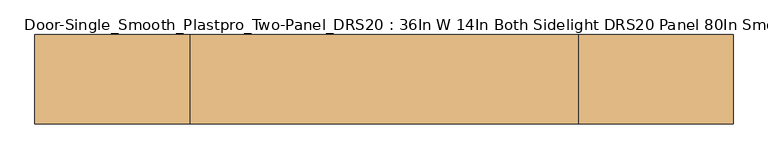
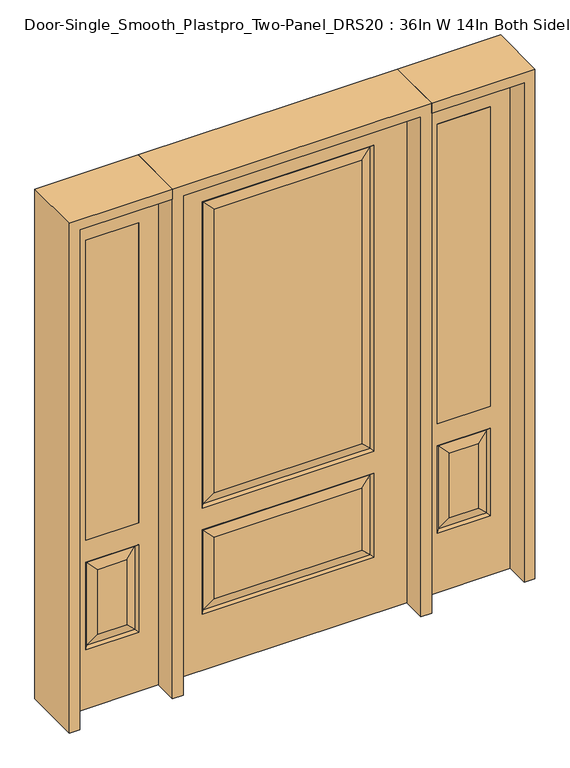
"""IFC4 building model written with IfcOpenShell, lengths in millimetres: door geometry, Door-Single_Smooth_Plastpro_Two-Panel_DRS20 : 36In W 14In Both Sidelight DRS20 Panel 80In Smooth."""

from ifc_helpers import new_model, si_unit, frame, origin, place, context, project, spatial, polyline, outline, extrude, faceted_brep, source, transform, mapped, element, save


def door_single_smooth_plastpro_two_panel_drs20_36in_w_14in_both_53c5808b(model_context):
    return source(origin(), model_context, "Body", "SolidModel", [
        extrude(outline(polyline([(574.675, -20.6375), (574.675, 20.6375), (777.875, 20.6375), (777.875, -20.6375), (574.675, -20.6375)])), frame((0.0, 0.0, 685.8), z_axis=(0.0, 0.0, 1.0), x_axis=(1.0, 0.0, 0.0)), (0.0, 0.0, 1.0), 1219.2),
        faceted_brep([(854.075, -20.6375, 0.0), (854.075, -20.6375, 2032.0), (498.475, -20.6375, 2032.0), (498.475, -20.6375, 0.0), (574.675, -20.6375, 685.8), (574.675, -20.6375, 1905.0), (777.875, -20.6375, 1905.0), (777.875, -20.6375, 685.8), (574.675, -20.6375, 241.3), (574.675, -20.6375, 596.9), (777.875, -20.6375, 596.9), (777.875, -20.6375, 241.3), (731.8375, -20.6375, 287.3375), (731.8375, -20.6375, 550.8625), (620.7125, -20.6375, 550.8625), (620.7125, -20.6375, 287.3375), (498.475, 20.6375, 0.0), (854.075, 20.6375, 0.0), (498.475, 20.6375, 2032.0), (854.075, 20.6375, 2032.0), (583.6552561, -11.6572439, 250.2802561), (768.8947439, -11.6572439, 250.2802561), (768.8947439, -11.6572439, 587.9197439), (583.6552561, -11.6572439, 587.9197439), (777.875, 20.6375, 685.8), (574.675, 20.6375, 685.8), (777.875, 20.6375, 1905.0), (574.675, 20.6375, 1905.0), (777.875, 20.6375, 241.3), (777.875, 20.6375, 596.9), (574.675, 20.6375, 596.9), (574.675, 20.6375, 241.3), (620.7125, 20.6375, 287.3375), (620.7125, 20.6375, 550.8625), (731.8375, 20.6375, 550.8625), (731.8375, 20.6375, 287.3375), (583.6552561, 11.6572439, 250.2802561), (768.8947439, 11.6572439, 250.2802561), (583.6552561, 11.6572439, 587.9197439), (768.8947439, 11.6572439, 587.9197439)], [[[0, 1, 2, 3], [4, 5, 6, 7], [8, 9, 10, 11]], [[12, 13, 14, 15]], [[3, 16, 17, 0]], [[2, 18, 16, 3]], [[0, 17, 19, 1]], [[20, 8, 11, 21]], [[11, 10, 22, 21]], [[10, 9, 23, 22]], [[20, 23, 9, 8]], [[21, 12, 15, 20]], [[15, 14, 23, 20]], [[22, 23, 14, 13]], [[21, 22, 13, 12]], [[4, 7, 24, 25]], [[7, 6, 26, 24]], [[25, 27, 5, 4]], [[17, 16, 18, 19], [24, 26, 27, 25], [28, 29, 30, 31]], [[32, 33, 34, 35]], [[28, 31, 36, 37]], [[31, 30, 38, 36]], [[39, 38, 30, 29]], [[37, 39, 29, 28]], [[36, 32, 35, 37]], [[35, 34, 39, 37]], [[34, 33, 38, 39]], [[36, 38, 33, 32]], [[1, 19, 18, 2]], [[27, 26, 6, 5]]]),
        extrude(outline(polyline([(-574.675, -20.6375), (-777.875, -20.6375), (-777.875, 20.6375), (-574.675, 20.6375), (-574.675, -20.6375)])), frame((0.0, 0.0, 685.8), z_axis=(0.0, 0.0, 1.0), x_axis=(1.0, 0.0, 0.0)), (0.0, 0.0, 1.0), 1219.2),
        faceted_brep([(-854.075, -20.6375, 0.0), (-498.475, -20.6375, 0.0), (-498.475, -20.6375, 2032.0), (-854.075, -20.6375, 2032.0), (-574.675, -20.6375, 685.8), (-777.875, -20.6375, 685.8), (-777.875, -20.6375, 1905.0), (-574.675, -20.6375, 1905.0), (-574.675, -20.6375, 241.3), (-777.875, -20.6375, 241.3), (-777.875, -20.6375, 596.9), (-574.675, -20.6375, 596.9), (-731.8375, -20.6375, 287.3375), (-620.7125, -20.6375, 287.3375), (-620.7125, -20.6375, 550.8625), (-731.8375, -20.6375, 550.8625), (-854.075, 20.6375, 0.0), (-498.475, 20.6375, 0.0), (-498.475, 20.6375, 2032.0), (-854.075, 20.6375, 2032.0), (-583.6552561, -11.6572439, 250.2802561), (-768.8947439, -11.6572439, 250.2802561), (-768.8947439, -11.6572439, 587.9197439), (-583.6552561, -11.6572439, 587.9197439), (-574.675, 20.6375, 685.8), (-777.875, 20.6375, 685.8), (-777.875, 20.6375, 1905.0), (-574.675, 20.6375, 1905.0), (-777.875, 20.6375, 241.3), (-574.675, 20.6375, 241.3), (-574.675, 20.6375, 596.9), (-777.875, 20.6375, 596.9), (-620.7125, 20.6375, 287.3375), (-731.8375, 20.6375, 287.3375), (-731.8375, 20.6375, 550.8625), (-620.7125, 20.6375, 550.8625), (-768.8947439, 11.6572439, 250.2802561), (-583.6552561, 11.6572439, 250.2802561), (-583.6552561, 11.6572439, 587.9197439), (-768.8947439, 11.6572439, 587.9197439)], [[[0, 1, 2, 3], [4, 5, 6, 7], [8, 9, 10, 11]], [[12, 13, 14, 15]], [[1, 0, 16, 17]], [[2, 1, 17, 18]], [[0, 3, 19, 16]], [[20, 21, 9, 8]], [[9, 21, 22, 10]], [[10, 22, 23, 11]], [[20, 8, 11, 23]], [[21, 20, 13, 12]], [[13, 20, 23, 14]], [[22, 15, 14, 23]], [[21, 12, 15, 22]], [[4, 24, 25, 5]], [[5, 25, 26, 6]], [[24, 4, 7, 27]], [[16, 19, 18, 17], [25, 24, 27, 26], [28, 29, 30, 31]], [[32, 33, 34, 35]], [[28, 36, 37, 29]], [[29, 37, 38, 30]], [[39, 31, 30, 38]], [[36, 28, 31, 39]], [[37, 36, 33, 32]], [[33, 36, 39, 34]], [[34, 39, 38, 35]], [[37, 32, 35, 38]], [[3, 2, 18, 19]], [[27, 7, 6, 26]]]),
        faceted_brep([(457.2, 20.6375, 0.0), (457.2, -20.6375, 0.0), (-457.2, -20.6375, 0.0), (-457.2, 20.6375, 0.0), (457.2, 20.6375, 2032.0), (457.2, -20.6375, 2032.0), (-284.1625, -20.6375, 706.4375), (284.1625, -20.6375, 706.4375), (284.1625, -20.6375, 1858.9625), (-284.1625, -20.6375, 1858.9625), (-284.1625, -20.6375, 274.6375), (284.1625, -20.6375, 274.6375), (284.1625, -20.6375, 525.4625), (-284.1625, -20.6375, 525.4625), (-457.2, -20.6375, 2032.0), (330.2, -20.6375, 660.4), (-330.2, -20.6375, 660.4), (-330.2, -20.6375, 1905.0), (330.2, -20.6375, 1905.0), (330.2, -20.6375, 228.6), (-330.2, -20.6375, 228.6), (-330.2, -20.6375, 571.5), (330.2, -20.6375, 571.5), (-457.2, 20.6375, 2032.0), (-284.1625, 20.6375, 525.4625), (284.1625, 20.6375, 525.4625), (284.1625, 20.6375, 274.6375), (-284.1625, 20.6375, 274.6375), (-284.1625, 20.6375, 1858.9625), (284.1625, 20.6375, 1858.9625), (284.1625, 20.6375, 706.4375), (-284.1625, 20.6375, 706.4375), (330.2, 20.6375, 571.5), (-330.2, 20.6375, 571.5), (-330.2, 20.6375, 228.6), (330.2, 20.6375, 228.6), (330.2, 20.6375, 1905.0), (-330.2, 20.6375, 1905.0), (-330.2, 20.6375, 660.4), (330.2, 20.6375, 660.4), (-321.2197439, 11.6572439, 1896.0197439), (-321.2197439, 11.6572439, 669.3802561), (321.2197439, 11.6572439, 669.3802561), (321.2197439, 11.6572439, 1896.0197439), (321.2197439, 11.6572439, 562.5197439), (-321.2197439, 11.6572439, 562.5197439), (-321.2197439, 11.6572439, 237.5802561), (321.2197439, 11.6572439, 237.5802561), (321.2197439, -11.6572439, 669.3802561), (-321.2197439, -11.6572439, 669.3802561), (-321.2197439, -11.6572439, 1896.0197439), (321.2197439, -11.6572439, 1896.0197439), (321.2197439, -11.6572439, 237.5802561), (-321.2197439, -11.6572439, 237.5802561), (-321.2197439, -11.6572439, 562.5197439), (321.2197439, -11.6572439, 562.5197439)], [[[0, 1, 2, 3]], [[4, 5, 1, 0]], [[6, 7, 8, 9]], [[10, 11, 12, 13]], [[5, 14, 2, 1], [15, 16, 17, 18], [19, 20, 21, 22]], [[14, 23, 3, 2]], [[24, 25, 26, 27]], [[28, 29, 30, 31]], [[23, 4, 0, 3], [32, 33, 34, 35], [36, 37, 38, 39]], [[37, 40, 41, 38]], [[38, 41, 42, 39]], [[43, 36, 39, 42]], [[29, 43, 42, 30]], [[41, 31, 30, 42]], [[40, 28, 31, 41]], [[44, 45, 33, 32]], [[33, 45, 46, 34]], [[34, 46, 47, 35]], [[44, 32, 35, 47]], [[45, 44, 25, 24]], [[25, 44, 47, 26]], [[46, 27, 26, 47]], [[45, 24, 27, 46]], [[48, 49, 16, 15]], [[16, 49, 50, 17]], [[48, 15, 18, 51]], [[49, 48, 7, 6]], [[7, 48, 51, 8]], [[49, 6, 9, 50]], [[52, 53, 20, 19]], [[20, 53, 54, 21]], [[21, 54, 55, 22]], [[52, 19, 22, 55]], [[53, 52, 11, 10]], [[11, 52, 55, 12]], [[54, 13, 12, 55]], [[53, 10, 13, 54]], [[4, 23, 14, 5]], [[17, 50, 51, 18]], [[50, 9, 8, 51]], [[43, 40, 37, 36]], [[40, 43, 29, 28]]]),
        extrude(outline(polyline([(2032.0, -498.475), (2073.275, -498.475), (2073.275, -895.35), (0.0, -895.35), (0.0, -854.075), (2032.0, -854.075), (2032.0, -498.475)])), frame((0.0, -114.3, 0.0), z_axis=(0.0, 1.0, 0.0), x_axis=(0.0, 0.0, 1.0)), (0.0, 0.0, 1.0), 228.6),
        extrude(outline(polyline([(2073.275, -498.475), (0.0, -498.475), (0.0, -457.2), (2032.0, -457.2), (2032.0, 457.2), (0.0, 457.2), (0.0, 498.475), (2073.275, 498.475), (2073.275, -498.475)])), frame((0.0, -114.3, 0.0), z_axis=(0.0, 1.0, 0.0), x_axis=(0.0, 0.0, 1.0)), (0.0, 0.0, 1.0), 228.6),
        extrude(outline(polyline([(0.0, 854.075), (0.0, 895.35), (2073.275, 895.35), (2073.275, 498.475), (2032.0, 498.475), (2032.0, 854.075), (0.0, 854.075)])), frame((0.0, -114.3, 0.0), z_axis=(0.0, 1.0, 0.0), x_axis=(0.0, 0.0, 1.0)), (0.0, 0.0, 1.0), 228.6),
    ])


if __name__ == "__main__":
    model = new_model("IFC4")
    model_context = context("Model", 3, world=origin())
    ifc_project = project(units=[si_unit("LENGTHUNIT", "METRE", prefix="MILLI")], contexts=[model_context])
    site = spatial("IfcSite", under=ifc_project)
    building = spatial("IfcBuilding", under=site)
    placement = place(None, origin())
    door_single_smooth_plastpro_two_panel_drs20_36in_w_14in_both_shape = door_single_smooth_plastpro_two_panel_drs20_36in_w_14in_both_53c5808b(model_context)
    element("IfcDoor", 1, ObjectType="Door-Single_Smooth_Plastpro_Two-Panel_DRS20 : 36In W 14In Both Sidelight DRS20 Panel 80In Smooth", at=placement, inside=building, context=model_context, shape_type="MappedRepresentation", body=[
        mapped(door_single_smooth_plastpro_two_panel_drs20_36in_w_14in_both_shape, transform((0.0, 0.0, 0.0), x_axis=(1.0, 0.0, 0.0), y_axis=(0.0, 1.0, 0.0), z_axis=(0.0, 0.0, 1.0))),
    ])
    save(model, "model.ifc")
